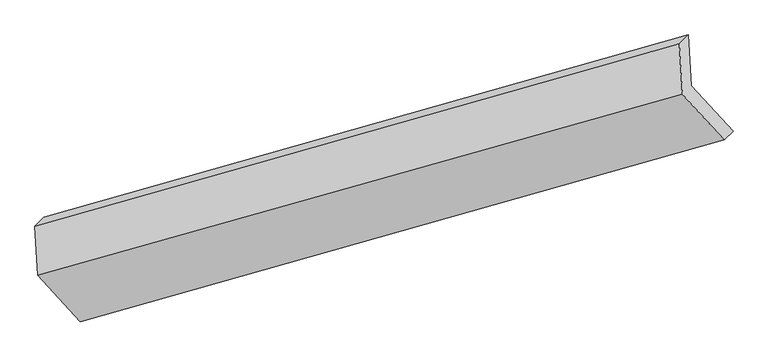
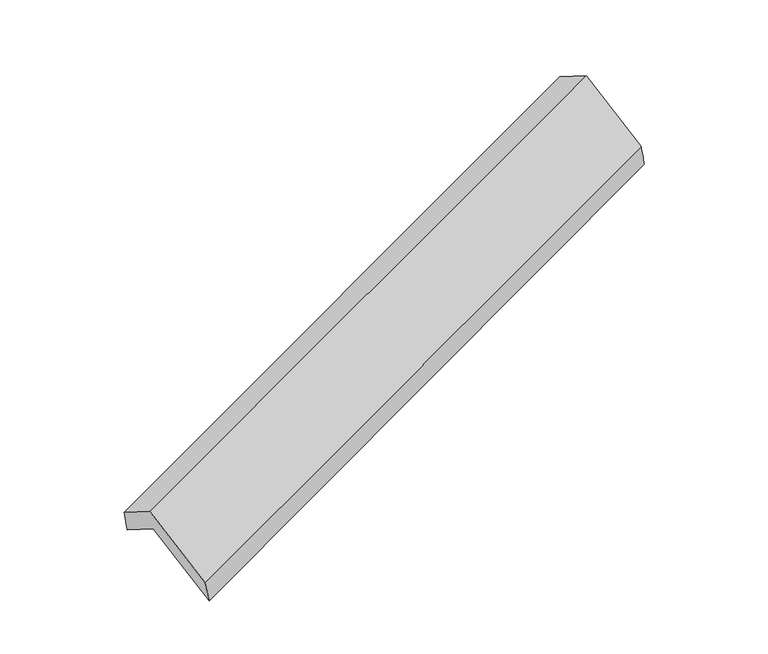
"""IFC4 building model written with IfcOpenShell, lengths in millimetres: proxy geometry."""

from ifc_helpers import new_model, si_unit, frame, origin, place, context, project, spatial, source, transform, mapped, element, save
from ifc_brep_helpers import plane_surface, spline_surface, advanced_brep


def generic_models_0f13ef0d(model_context):
    return source(origin(), model_context, "Body", "AdvancedBrep", [
        advanced_brep(
        [(-5061.7359988, -2094.9201982, 1290.1704777), (-5082.5720359, -1757.978674, 1084.8516018), (-793.3730128, -544.5445723, 2640.9015476), (-772.5369757, -881.4860965, 2846.2204236), (-5142.4227569, -1816.3303067, 1295.3316805), (-853.2237337, -602.896205, 2851.3816264), (-5122.1140547, -2144.7442498, 1495.4541848), (-832.3876967, -939.8377292, 3056.7005023), (-4840.8135795, -2453.2469583, 960.6345807), (-555.2332574, -1243.7934732, 2529.7635057), (-4780.4355237, -2403.4229067, 755.3508736), (-495.3825364, -1185.4418405, 2319.2834269)],
        [
            (0, 1),
            (1, 2),
            (2, 3),
            (3, 0),
            (1, 4),
            (4, 5),
            (5, 2),
            (4, 6),
            (6, 7),
            (7, 5),
            (6, 8),
            (8, 9),
            (9, 7),
            (8, 10),
            (10, 11),
            (11, 9),
            (10, 0),
            (3, 11),
        ],
        [
            plane_surface(frame((-5072.1540174, -1926.4494361, 1187.5110398), z_axis=(0.41460358108642026, -0.45469645112158785, -0.7882607486661695), x_axis=(-0.052733481631434265, 0.8527581134321485, -0.5196371617683538))),
            plane_surface(frame((-5112.4973964, -1787.1544903, 1190.0916411), z_axis=(-0.32378254328604206, 0.9314280999481345, 0.16615221722935408), x_axis=(-0.2642760189610035, -0.25765666557248235, 0.9293929354628178))),
            plane_surface(frame((-5132.2684058, -1980.5372782, 1395.3929327), z_axis=(-0.4146035810864228, 0.45469645112158796, 0.788260748666168), x_axis=(0.05273348163143457, -0.8527581134321479, 0.5196371617683548))),
            plane_surface(frame((-4981.4638171, -2298.995604, 1228.0443828), z_axis=(0.050809178447591724, -0.8533005613928286, 0.5189379339691444), x_axis=(0.4146035810864249, -0.45469645112157314, -0.7882607486661752))),
            spline_surface(1, 1, [[(-4840.8135795, -2453.2469583, 960.6345807), (-555.2332574, -1243.7934732, 2529.7635057)], [(-4780.4355237, -2403.4229067, 755.3508736), (-495.3825364, -1185.4418405, 2319.2834269)]], [2, 2], [2, 2], [0.0, 1.0], [0.0, 1.0]),
            plane_surface(frame((-4921.0857613, -2249.1715524, 1022.7606757), z_axis=(-0.0527334816314364, 0.8527581134321489, -0.5196371617683527), x_axis=(-0.41460358108643336, 0.4546964511215824, 0.7882607486661655))),
            plane_surface(frame((-717.0228688, -899.6666528, 2707.3751721), z_axis=(0.9084729222521347, 0.25701116184530903, 0.3295788406763866), x_axis=(0.26427601896102115, 0.25765666557250017, -0.9293929354628078))),
            plane_surface(frame((-5005.0156583, -2111.7738823, 1146.9655665), z_axis=(-0.9084729222521417, -0.2570111618452489, -0.3295788406764145), x_axis=(0.414603581086426, -0.4546964511215853, -0.7882607486661677))),
        ],
        [
            (0, [[1, 2, 3, 4]]),
            (1, [[5, 6, 7, -2]]),
            (2, [[8, 9, 10, -6]]),
            (3, [[11, 12, 13, -9]]),
            (4, [[14, 15, 16, -12]]),
            (5, [[17, -4, 18, -15]]),
            (6, [[-16, -18, -3, -7, -10, -13]]),
            (7, [[-17, -14, -11, -8, -5, -1]]),
        ],
    ),
    ])


if __name__ == "__main__":
    model = new_model("IFC4")
    model_context = context("Model", 3, world=origin())
    ifc_project = project(units=[si_unit("LENGTHUNIT", "METRE", prefix="MILLI")], contexts=[model_context])
    site = spatial("IfcSite", under=ifc_project)
    building = spatial("IfcBuilding", under=site)
    placement = place(None, origin())
    generic_models_shape = generic_models_0f13ef0d(model_context)
    element("IfcBuildingElementProxy", 1, Name="Generic Models", at=placement, inside=building, context=model_context, shape_type="MappedRepresentation", body=[
        mapped(generic_models_shape, transform((0.0, 0.0, 0.0), x_axis=(1.0, 0.0, 0.0), y_axis=(0.0, 1.0, 0.0), z_axis=(0.0, 0.0, 1.0))),
    ])
    save(model, "model.ifc")
